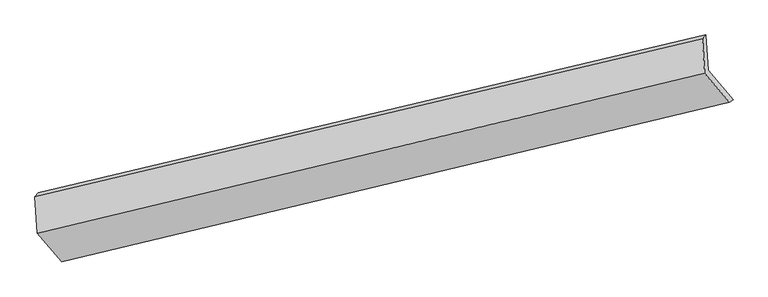
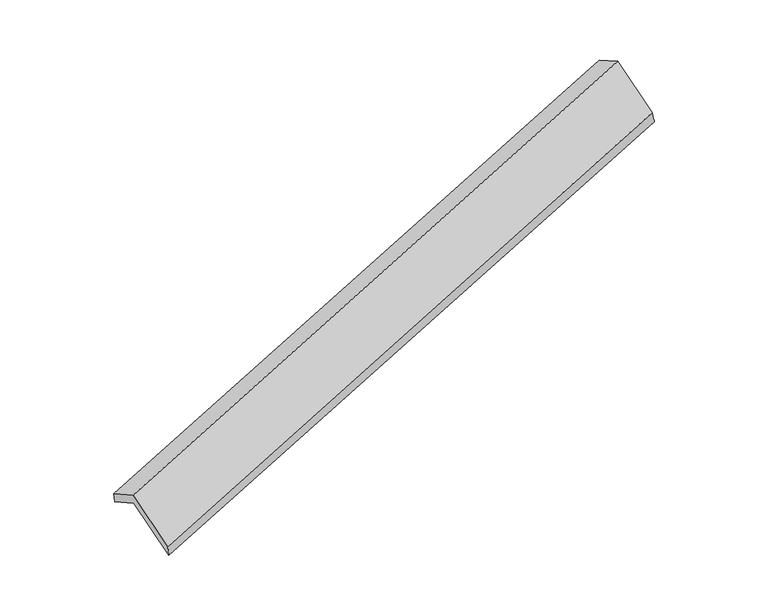
"""IFC4 building model written with IfcOpenShell, lengths in millimetres: proxy geometry."""

from ifc_helpers import new_model, si_unit, frame, origin, place, context, project, spatial, source, transform, mapped, element, save
from ifc_brep_helpers import plane_surface, spline_surface, advanced_brep


def generic_models_2d14b623(model_context):
    return source(origin(), model_context, "Body", "AdvancedBrep", [
        advanced_brep(
        [(-6217.1617973, -2288.609434, 1046.0326998), (-6238.8828339, -1937.446747, 855.667991), (358.8218011, -377.2425697, 2980.9385309), (380.5428377, -728.4052567, 3171.3032397), (-6272.4357697, -1976.6593161, 989.6181168), (325.2688653, -416.4551387, 3114.8886567), (-6250.2586543, -2335.1954024, 1183.9799332), (346.3600163, -757.4345039, 3299.7330037), (-6008.4102565, -2618.0571385, 634.5940419), (588.2084141, -1040.2962401, 2750.3471124), (-5970.99421, -2576.5228202, 486.8352828), (626.710425, -1016.3186429, 2612.1058227)],
        [
            (0, 1),
            (1, 2),
            (2, 3),
            (3, 0),
            (1, 4),
            (4, 5),
            (5, 2),
            (4, 6),
            (6, 7),
            (7, 5),
            (6, 8),
            (8, 9),
            (9, 7),
            (8, 10),
            (10, 11),
            (11, 9),
            (10, 0),
            (3, 11),
        ],
        [
            plane_surface(frame((-6228.0223156, -2113.0280905, 950.8503454), z_axis=(0.36708047953779016, -0.42565564537315576, -0.8270847556957318), x_axis=(-0.05429822085568271, 0.8778360585589278, -0.47587346795722324))),
            plane_surface(frame((-6255.6593018, -1957.0530316, 922.6430539), z_axis=(-0.28662192978332984, 0.936433621471081, 0.20233621016969827), x_axis=(-0.23373999612787952, -0.27316672927082214, 0.9331374776685482))),
            plane_surface(frame((-6261.347212, -2155.9273592, 1086.799025), z_axis=(-0.3670804795377888, 0.4256556453731634, 0.8270847556957286), x_axis=(0.05429822085566026, -0.8778360585589289, 0.4758734679572237))),
            plane_surface(frame((-6129.3344554, -2476.6262705, 909.2869875), z_axis=(0.05691485442666805, -0.8772178172538652, 0.47670703837677486), x_axis=(0.36446507482202567, -0.42627209761946416, -0.8279234916500904))),
            spline_surface(1, 1, [[(-6008.4102565, -2618.0571385, 634.5940419), (588.2084141, -1040.2962401, 2750.3471124)], [(-5970.99421, -2576.5228202, 486.8352828), (626.710425, -1016.3186429, 2612.1058227)]], [2, 2], [2, 2], [0.0, 1.0], [0.0, 1.0]),
            plane_surface(frame((-6094.0780036, -2432.5661271, 766.4339913), z_axis=(-0.054298220855684115, 0.8778360585589295, -0.47587346795721996), x_axis=(-0.36446507482200574, 0.4262720976194613, 0.8279234916501007))),
            plane_surface(frame((437.6520599, -722.6920587, 2988.2193943), z_axis=(0.9296326760860371, 0.21839403170615287, 0.2967947682629281), x_axis=(0.26463279353526564, 0.16480330185694883, -0.9501628051459228))),
            plane_surface(frame((-6159.6905869, -2288.7484764, 866.1213443), z_axis=(-0.9296326760860397, -0.21839403170607538, -0.29679476826297657), x_axis=(0.36446507482201135, -0.42627209761945994, -0.8279234916500988))),
        ],
        [
            (0, [[1, 2, 3, 4]]),
            (1, [[5, 6, 7, -2]]),
            (2, [[8, 9, 10, -6]]),
            (3, [[11, 12, 13, -9]]),
            (4, [[14, 15, 16, -12]]),
            (5, [[17, -4, 18, -15]]),
            (6, [[-16, -18, -3, -7, -10, -13]]),
            (7, [[-17, -14, -11, -8, -5, -1]]),
        ],
    ),
    ])


if __name__ == "__main__":
    model = new_model("IFC4")
    model_context = context("Model", 3, world=origin())
    ifc_project = project(units=[si_unit("LENGTHUNIT", "METRE", prefix="MILLI")], contexts=[model_context])
    site = spatial("IfcSite", under=ifc_project)
    building = spatial("IfcBuilding", under=site)
    placement = place(None, origin())
    generic_models_shape = generic_models_2d14b623(model_context)
    element("IfcBuildingElementProxy", 1, Name="Generic Models", at=placement, inside=building, context=model_context, shape_type="MappedRepresentation", body=[
        mapped(generic_models_shape, transform((0.0, 0.0, 0.0), x_axis=(1.0, 0.0, 0.0), y_axis=(0.0, 1.0, 0.0), z_axis=(0.0, 0.0, 1.0))),
    ])
    save(model, "model.ifc")
